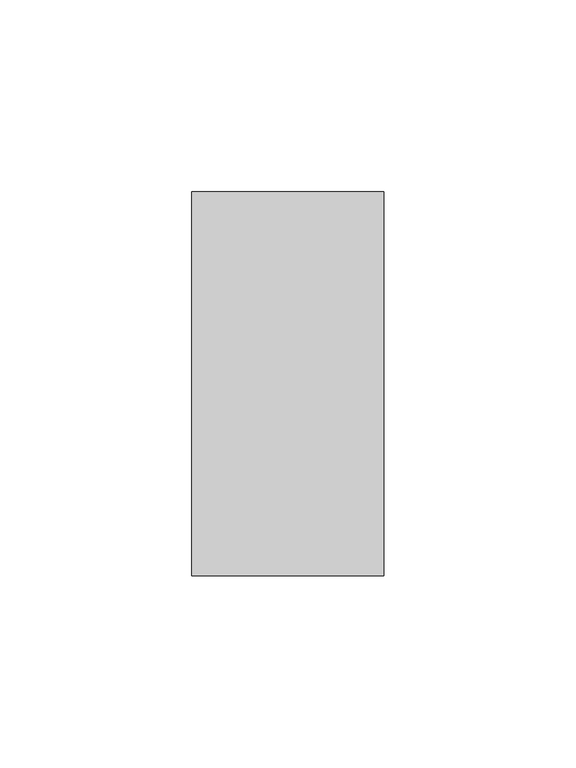
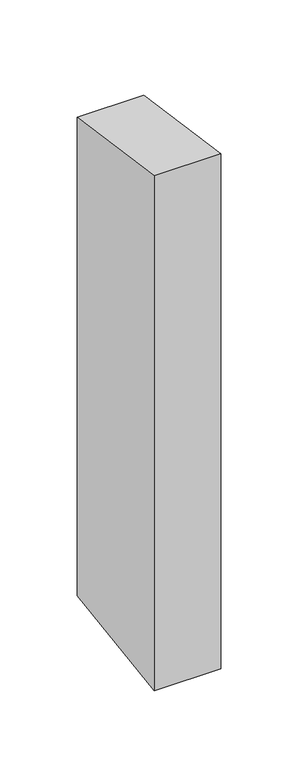
"""IFC4 building model written with IfcOpenShell, lengths in millimetres: member geometry."""

from ifc_helpers import new_model, si_unit, frame, origin, place, context, project, spatial, polyline, outline, extrude, source, transform, mapped, element, save


def member_f8e69687(model_context):
    return source(origin(), model_context, "Body", "SweptSolid", [
        extrude(outline(polyline([(-50.0, 7.2379022), (50.0, -7.2379022), (50.0, -385.9998539), (-50.0, -400.945804), (-50.0, 7.2379022)])), frame((-50.0, 0.0, 0.0), z_axis=(1.0, 0.0, 0.0), x_axis=(0.0, 1.0, 0.0)), (0.0, 0.0, 1.0), 50.0),
    ])


if __name__ == "__main__":
    model = new_model("IFC4")
    model_context = context("Model", 3, world=origin())
    ifc_project = project(units=[si_unit("LENGTHUNIT", "METRE", prefix="MILLI")], contexts=[model_context])
    site = spatial("IfcSite", under=ifc_project)
    building = spatial("IfcBuilding", under=site)
    placement = place(None, origin())
    member_shape = member_f8e69687(model_context)
    element("IfcMember", 1, at=placement, inside=building, context=model_context, shape_type="MappedRepresentation", body=[
        mapped(member_shape, transform((0.0, 0.0, 0.0), x_axis=(1.0, 0.0, 0.0), y_axis=(0.0, 1.0, 0.0), z_axis=(0.0, 0.0, 1.0))),
    ])
    save(model, "model.ifc")
